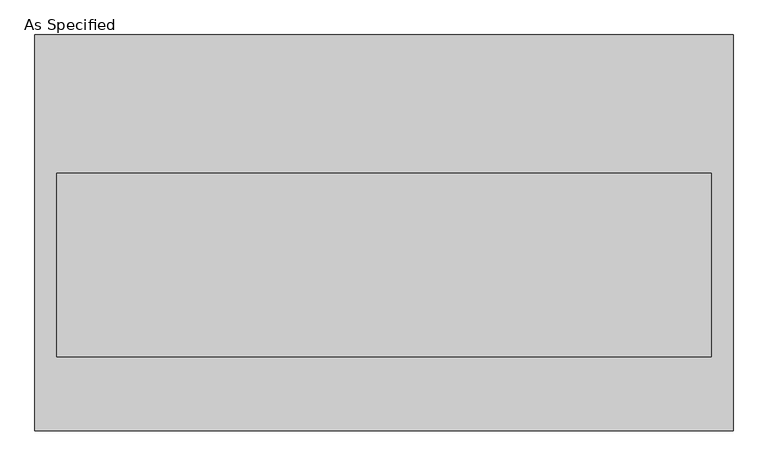
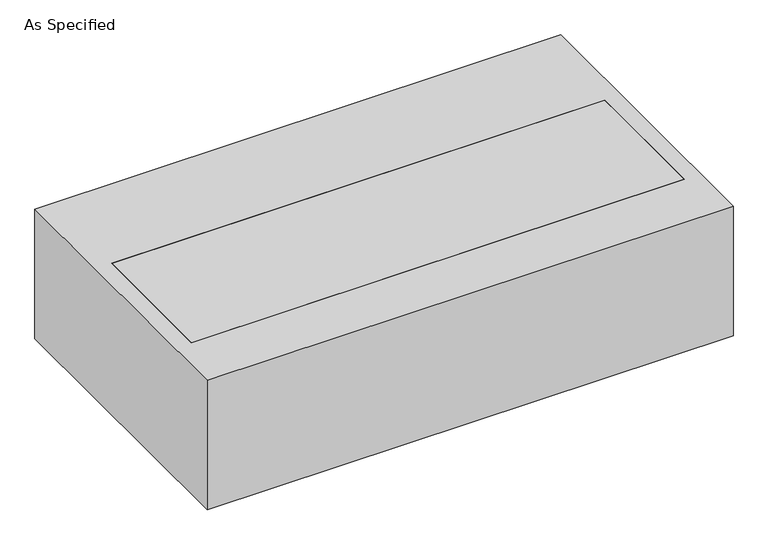
"""IFC4 building model written with IfcOpenShell, lengths in millimetres: proxy geometry, As Specified."""

from ifc_helpers import new_model, si_unit, frame, origin, place, context, project, spatial, polyline, outline, extrude, source, transform, mapped, element, save


def as_specified_e37a55cb(model_context):
    return source(origin(), model_context, "Body", "SweptSolid", [
        extrude(outline(polyline([(-968.375, -549.275), (-968.375, 549.275), (968.375, 549.275), (968.375, -549.275), (-968.375, -549.275)]), holes=[polyline([(908.05, 165.1), (-908.05, 165.1), (-908.05, -342.9), (908.05, -342.9), (908.05, 165.1)])]), frame((0.0, 0.0, -530.225), z_axis=(0.0, 0.0, 1.0), x_axis=(1.0, 0.0, 0.0)), (0.0, 0.0, 1.0), 504.825),
        extrude(outline(polyline([(908.05, 165.1), (908.05, -342.9), (-908.05, -342.9), (-908.05, 165.1), (908.05, 165.1)])), frame((0.0, 0.0, -530.225), z_axis=(0.0, 0.0, 1.0), x_axis=(1.0, 0.0, 0.0)), (0.0, 0.0, 1.0), 504.825),
    ])


if __name__ == "__main__":
    model = new_model("IFC4")
    model_context = context("Model", 3, world=origin())
    ifc_project = project(units=[si_unit("LENGTHUNIT", "METRE", prefix="MILLI")], contexts=[model_context])
    site = spatial("IfcSite", under=ifc_project)
    building = spatial("IfcBuilding", under=site)
    placement = place(None, origin())
    as_specified_shape = as_specified_e37a55cb(model_context)
    element("IfcBuildingElementProxy", 1, Name="As Specified", ObjectType="As Specified", at=placement, inside=building, context=model_context, shape_type="MappedRepresentation", body=[
        mapped(as_specified_shape, transform((0.0, 0.0, 0.0), x_axis=(1.0, 0.0, 0.0), y_axis=(0.0, 1.0, 0.0), z_axis=(0.0, 0.0, 1.0))),
    ])
    save(model, "model.ifc")
